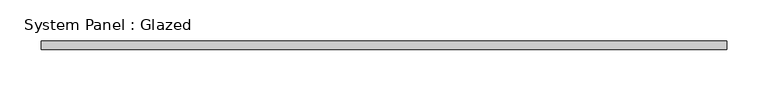
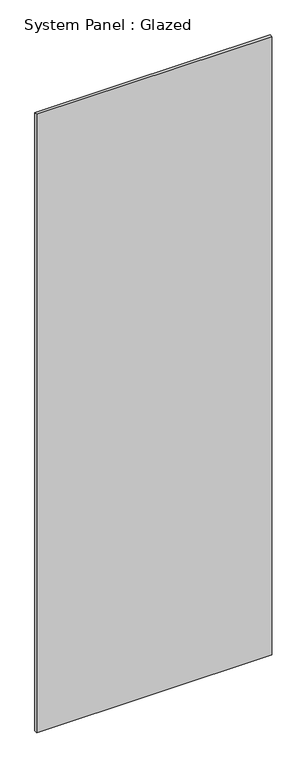
"""IFC4 building model written with IfcOpenShell, lengths in millimetres: plate geometry, System Panel : Glazed."""

from ifc_helpers import new_model, si_unit, origin, origin_with_axes, place, context, project, spatial, polyline, outline, extrude, source, transform, mapped, element, save


def system_panel_glazed_a5bd56f9(model_context):
    return source(origin(), model_context, "Body", "SweptSolid", [
        extrude(outline(polyline([(413.606875, -5.0), (-413.606875, -5.0), (-413.606875, 5.0), (413.606875, 5.0), (413.606875, -5.0)])), origin_with_axes(), (0.0, 0.0, 1.0), 2300.0),
    ])


if __name__ == "__main__":
    model = new_model("IFC4")
    model_context = context("Model", 3, world=origin())
    ifc_project = project(units=[si_unit("LENGTHUNIT", "METRE", prefix="MILLI")], contexts=[model_context])
    site = spatial("IfcSite", under=ifc_project)
    building = spatial("IfcBuilding", under=site)
    placement = place(None, origin())
    system_panel_glazed_shape = system_panel_glazed_a5bd56f9(model_context)
    element("IfcPlate", 1, ObjectType="System Panel : Glazed", at=placement, inside=building, context=model_context, shape_type="MappedRepresentation", body=[
        mapped(system_panel_glazed_shape, transform((0.0, 0.0, 0.0), x_axis=(1.0, 0.0, 0.0), y_axis=(0.0, 1.0, 0.0), z_axis=(0.0, 0.0, 1.0))),
    ])
    save(model, "model.ifc")
